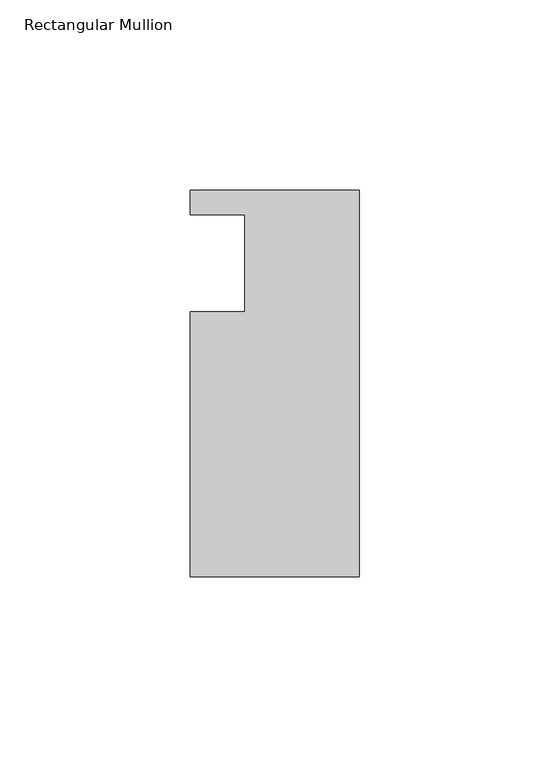
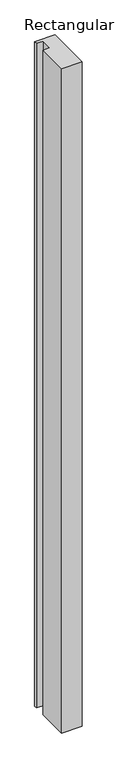
"""IFC4 building model written with IfcOpenShell, lengths in millimetres: member geometry, Rectangular Mullion."""

from ifc_helpers import new_model, si_unit, frame, origin, place, context, project, spatial, polyline, outline, extrude, source, transform, mapped, element, save


def rectangular_mullion_777854f3(model_context):
    return source(origin(), model_context, "Body", "SweptSolid", [
        extrude(outline(polyline([(-44.45, -72.771), (-44.45, -3.048), (-30.1625, -3.048), (-30.1625, 22.352), (-44.45, 22.352), (-44.45, 28.829), (0.0, 28.829), (0.0, -72.771), (-44.45, -72.771)])), frame((0.0, 0.0, -1524.0), z_axis=(0.0, 0.0, 1.0), x_axis=(1.0, 0.0, 0.0)), (0.0, 0.0, 1.0), 1524.0),
    ])


if __name__ == "__main__":
    model = new_model("IFC4")
    model_context = context("Model", 3, world=origin())
    ifc_project = project(units=[si_unit("LENGTHUNIT", "METRE", prefix="MILLI")], contexts=[model_context])
    site = spatial("IfcSite", under=ifc_project)
    building = spatial("IfcBuilding", under=site)
    placement = place(None, origin())
    rectangular_mullion_shape = rectangular_mullion_777854f3(model_context)
    element("IfcMember", 1, ObjectType="Rectangular Mullion", at=placement, inside=building, context=model_context, shape_type="MappedRepresentation", body=[
        mapped(rectangular_mullion_shape, transform((0.0, 0.0, 0.0), x_axis=(1.0, 0.0, 0.0), y_axis=(0.0, 1.0, 0.0), z_axis=(0.0, 0.0, 1.0))),
    ])
    save(model, "model.ifc")
